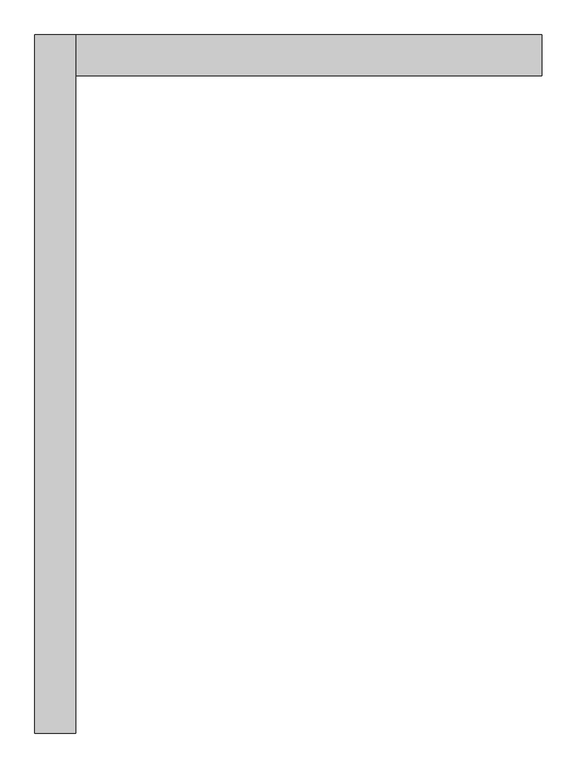
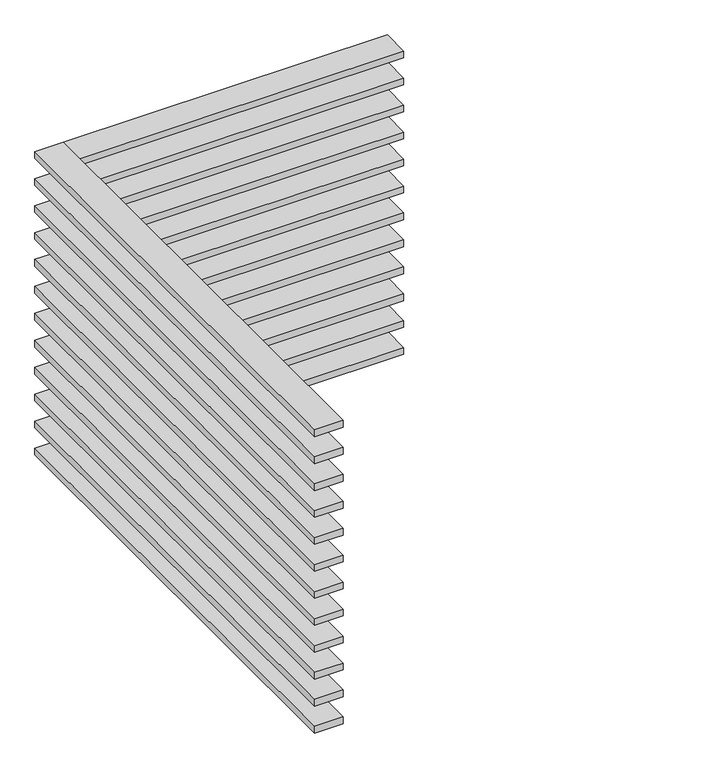
"""IFC4 building model written with IfcOpenShell, lengths in millimetres: proxy geometry."""

from ifc_helpers import new_model, si_unit, frame, origin, place, context, project, spatial, polyline, outline, extrude, source, transform, mapped, element, save


def generic_models_9d1d942f(model_context):
    return source(origin(), model_context, "Body", "SweptSolid", [
        extrude(outline(polyline([(-100.0, -3405.0), (-300.0, -3405.0), (-300.0, 0.0), (-100.0, 0.0), (-100.0, -3405.0)])), frame((0.0, 0.0, 2175.0), z_axis=(0.0, 0.0, 1.0), x_axis=(1.0, 0.0, 0.0)), (0.0, 0.0, 1.0), 50.0),
        extrude(outline(polyline([(-100.0, -3405.0), (-300.0, -3405.0), (-300.0, 0.0), (-100.0, 0.0), (-100.0, -3405.0)])), frame((0.0, 0.0, 1975.0), z_axis=(0.0, 0.0, 1.0), x_axis=(1.0, 0.0, 0.0)), (0.0, 0.0, 1.0), 50.0),
        extrude(outline(polyline([(-100.0, -3405.0), (-300.0, -3405.0), (-300.0, 0.0), (-100.0, 0.0), (-100.0, -3405.0)])), frame((0.0, 0.0, 1775.0), z_axis=(0.0, 0.0, 1.0), x_axis=(1.0, 0.0, 0.0)), (0.0, 0.0, 1.0), 50.0),
        extrude(outline(polyline([(-100.0, -3405.0), (-300.0, -3405.0), (-300.0, 0.0), (-100.0, 0.0), (-100.0, -3405.0)])), frame((0.0, 0.0, 1575.0), z_axis=(0.0, 0.0, 1.0), x_axis=(1.0, 0.0, 0.0)), (0.0, 0.0, 1.0), 50.0),
        extrude(outline(polyline([(-100.0, -3405.0), (-300.0, -3405.0), (-300.0, 0.0), (-100.0, 0.0), (-100.0, -3405.0)])), frame((0.0, 0.0, 1375.0), z_axis=(0.0, 0.0, 1.0), x_axis=(1.0, 0.0, 0.0)), (0.0, 0.0, 1.0), 50.0),
        extrude(outline(polyline([(-100.0, -3405.0), (-300.0, -3405.0), (-300.0, 0.0), (-100.0, 0.0), (-100.0, -3405.0)])), frame((0.0, 0.0, 1175.0), z_axis=(0.0, 0.0, 1.0), x_axis=(1.0, 0.0, 0.0)), (0.0, 0.0, 1.0), 50.0),
        extrude(outline(polyline([(-100.0, -3405.0), (-300.0, -3405.0), (-300.0, 0.0), (-100.0, 0.0), (-100.0, -3405.0)])), frame((0.0, 0.0, 975.0), z_axis=(0.0, 0.0, 1.0), x_axis=(1.0, 0.0, 0.0)), (0.0, 0.0, 1.0), 50.0),
        extrude(outline(polyline([(-100.0, -3405.0), (-300.0, -3405.0), (-300.0, 0.0), (-100.0, 0.0), (-100.0, -3405.0)])), frame((0.0, 0.0, 775.0), z_axis=(0.0, 0.0, 1.0), x_axis=(1.0, 0.0, 0.0)), (0.0, 0.0, 1.0), 50.0),
        extrude(outline(polyline([(-100.0, -3405.0), (-300.0, -3405.0), (-300.0, 0.0), (-100.0, 0.0), (-100.0, -3405.0)])), frame((0.0, 0.0, 575.0), z_axis=(0.0, 0.0, 1.0), x_axis=(1.0, 0.0, 0.0)), (0.0, 0.0, 1.0), 50.0),
        extrude(outline(polyline([(-100.0, -3405.0), (-300.0, -3405.0), (-300.0, 0.0), (-100.0, 0.0), (-100.0, -3405.0)])), frame((0.0, 0.0, 375.0), z_axis=(0.0, 0.0, 1.0), x_axis=(1.0, 0.0, 0.0)), (0.0, 0.0, 1.0), 50.0),
        extrude(outline(polyline([(-100.0, -3405.0), (-300.0, -3405.0), (-300.0, 0.0), (-100.0, 0.0), (-100.0, -3405.0)])), frame((0.0, 0.0, 175.0), z_axis=(0.0, 0.0, 1.0), x_axis=(1.0, 0.0, 0.0)), (0.0, 0.0, 1.0), 50.0),
        extrude(outline(polyline([(-100.0, -3405.0), (-300.0, -3405.0), (-300.0, 0.0), (-100.0, 0.0), (-100.0, -3405.0)])), frame((0.0, 0.0, -25.0), z_axis=(0.0, 0.0, 1.0), x_axis=(1.0, 0.0, 0.0)), (0.0, 0.0, 1.0), 50.0),
        extrude(outline(polyline([(-100.0, -200.0), (-100.0, 0.0), (2175.0, 0.0), (2175.0, -200.0), (-100.0, -200.0)])), frame((0.0, 0.0, 2175.0), z_axis=(0.0, 0.0, 1.0), x_axis=(1.0, 0.0, 0.0)), (0.0, 0.0, 1.0), 50.0),
        extrude(outline(polyline([(-100.0, -200.0), (-100.0, 0.0), (2175.0, 0.0), (2175.0, -200.0), (-100.0, -200.0)])), frame((0.0, 0.0, 1975.0), z_axis=(0.0, 0.0, 1.0), x_axis=(1.0, 0.0, 0.0)), (0.0, 0.0, 1.0), 50.0),
        extrude(outline(polyline([(-100.0, -200.0), (-100.0, 0.0), (2175.0, 0.0), (2175.0, -200.0), (-100.0, -200.0)])), frame((0.0, 0.0, 1775.0), z_axis=(0.0, 0.0, 1.0), x_axis=(1.0, 0.0, 0.0)), (0.0, 0.0, 1.0), 50.0),
        extrude(outline(polyline([(-100.0, -200.0), (-100.0, 0.0), (2175.0, 0.0), (2175.0, -200.0), (-100.0, -200.0)])), frame((0.0, 0.0, 1575.0), z_axis=(0.0, 0.0, 1.0), x_axis=(1.0, 0.0, 0.0)), (0.0, 0.0, 1.0), 50.0),
        extrude(outline(polyline([(-100.0, -200.0), (-100.0, 0.0), (2175.0, 0.0), (2175.0, -200.0), (-100.0, -200.0)])), frame((0.0, 0.0, 1375.0), z_axis=(0.0, 0.0, 1.0), x_axis=(1.0, 0.0, 0.0)), (0.0, 0.0, 1.0), 50.0),
        extrude(outline(polyline([(-100.0, -200.0), (-100.0, 0.0), (2175.0, 0.0), (2175.0, -200.0), (-100.0, -200.0)])), frame((0.0, 0.0, 1175.0), z_axis=(0.0, 0.0, 1.0), x_axis=(1.0, 0.0, 0.0)), (0.0, 0.0, 1.0), 50.0),
        extrude(outline(polyline([(-100.0, -200.0), (-100.0, 0.0), (2175.0, 0.0), (2175.0, -200.0), (-100.0, -200.0)])), frame((0.0, 0.0, 975.0), z_axis=(0.0, 0.0, 1.0), x_axis=(1.0, 0.0, 0.0)), (0.0, 0.0, 1.0), 50.0),
        extrude(outline(polyline([(-100.0, -200.0), (-100.0, 0.0), (2175.0, 0.0), (2175.0, -200.0), (-100.0, -200.0)])), frame((0.0, 0.0, 775.0), z_axis=(0.0, 0.0, 1.0), x_axis=(1.0, 0.0, 0.0)), (0.0, 0.0, 1.0), 50.0),
        extrude(outline(polyline([(-100.0, -200.0), (-100.0, 0.0), (2175.0, 0.0), (2175.0, -200.0), (-100.0, -200.0)])), frame((0.0, 0.0, 575.0), z_axis=(0.0, 0.0, 1.0), x_axis=(1.0, 0.0, 0.0)), (0.0, 0.0, 1.0), 50.0),
        extrude(outline(polyline([(-100.0, -200.0), (-100.0, 0.0), (2175.0, 0.0), (2175.0, -200.0), (-100.0, -200.0)])), frame((0.0, 0.0, 375.0), z_axis=(0.0, 0.0, 1.0), x_axis=(1.0, 0.0, 0.0)), (0.0, 0.0, 1.0), 50.0),
        extrude(outline(polyline([(-100.0, -200.0), (-100.0, 0.0), (2175.0, 0.0), (2175.0, -200.0), (-100.0, -200.0)])), frame((0.0, 0.0, 175.0), z_axis=(0.0, 0.0, 1.0), x_axis=(1.0, 0.0, 0.0)), (0.0, 0.0, 1.0), 50.0),
        extrude(outline(polyline([(-100.0, -200.0), (-100.0, 0.0), (2175.0, 0.0), (2175.0, -200.0), (-100.0, -200.0)])), frame((0.0, 0.0, -25.0), z_axis=(0.0, 0.0, 1.0), x_axis=(1.0, 0.0, 0.0)), (0.0, 0.0, 1.0), 50.0),
    ])


if __name__ == "__main__":
    model = new_model("IFC4")
    model_context = context("Model", 3, world=origin())
    ifc_project = project(units=[si_unit("LENGTHUNIT", "METRE", prefix="MILLI")], contexts=[model_context])
    site = spatial("IfcSite", under=ifc_project)
    building = spatial("IfcBuilding", under=site)
    placement = place(None, origin())
    generic_models_shape = generic_models_9d1d942f(model_context)
    element("IfcBuildingElementProxy", 1, Name="Generic Models", at=placement, inside=building, context=model_context, shape_type="MappedRepresentation", body=[
        mapped(generic_models_shape, transform((0.0, 0.0, 0.0), x_axis=(1.0, 0.0, 0.0), y_axis=(0.0, 1.0, 0.0), z_axis=(0.0, 0.0, 1.0))),
    ])
    save(model, "model.ifc")
